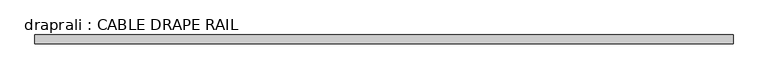
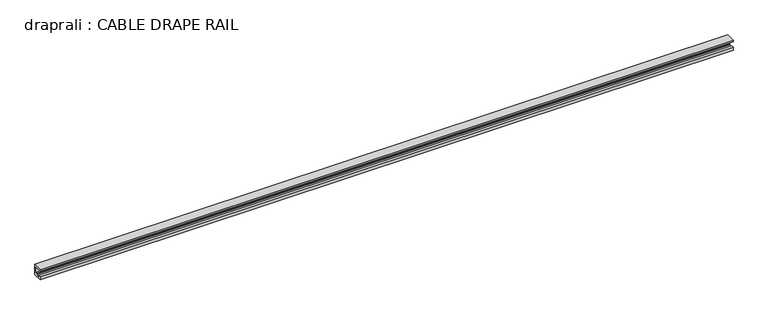
"""IFC4 building model written with IfcOpenShell, lengths in millimetres: proxy geometry, draprali : CABLE DRAPE RAIL."""

from ifc_helpers import new_model, si_unit, frame, origin, place, context, project, spatial, polyline, outline, extrude, source, transform, mapped, element, save


def draprali_cable_drape_rail_b50ebc05(model_context):
    return source(origin(), model_context, "Body", "SweptSolid", [
        extrude(outline(polyline([(-186.2970657, 2743.2), (-186.2970657, 2667.0), (-249.7970657, 2667.0), (-249.7970657, 2689.9004123), (-232.7578554, 2689.9004123), (-232.7578554, 2680.2041551), (-206.050334, 2680.2041551), (-206.050334, 2689.9004123), (-197.2096289, 2689.9004123), (-197.2096289, 2729.5879123), (-249.7970657, 2729.5879123), (-249.7970657, 2743.2), (-186.2970657, 2743.2)])), frame((549.8012711, 0.0, 0.0), z_axis=(1.0, 0.0, 0.0), x_axis=(0.0, 1.0, 0.0)), (0.0, 0.0, 1.0), 4927.6),
    ])


if __name__ == "__main__":
    model = new_model("IFC4")
    model_context = context("Model", 3, world=origin())
    ifc_project = project(units=[si_unit("LENGTHUNIT", "METRE", prefix="MILLI")], contexts=[model_context])
    site = spatial("IfcSite", under=ifc_project)
    building = spatial("IfcBuilding", under=site)
    placement = place(None, origin())
    draprali_cable_drape_rail_shape = draprali_cable_drape_rail_b50ebc05(model_context)
    element("IfcBuildingElementProxy", 1, Name="draprali : CABLE DRAPE RAIL", ObjectType="draprali : CABLE DRAPE RAIL", at=placement, inside=building, context=model_context, shape_type="MappedRepresentation", body=[
        mapped(draprali_cable_drape_rail_shape, transform((0.0, 0.0, 0.0), x_axis=(1.0, 0.0, 0.0), y_axis=(0.0, 1.0, 0.0), z_axis=(0.0, 0.0, 1.0))),
    ])
    save(model, "model.ifc")
